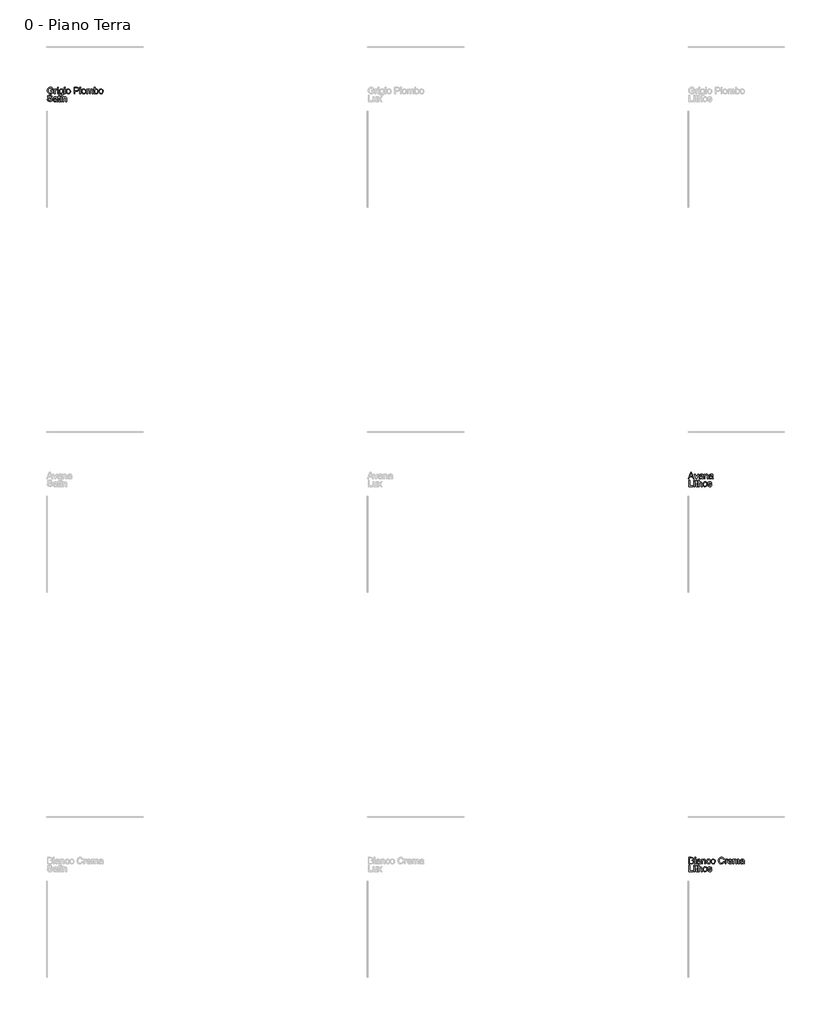
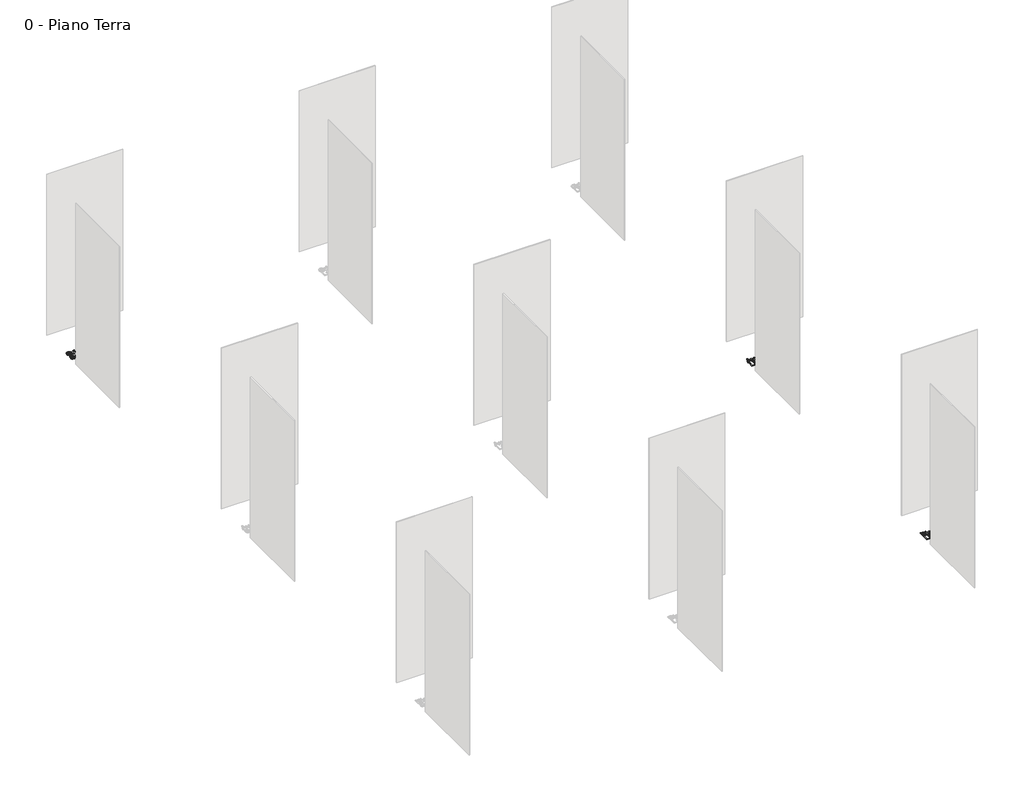
# One storey, part 23 of 35: 3 proxies.
"""IFC4 building model written with IfcOpenShell, lengths in millimetres."""

from ifc_helpers import new_model, si_unit, origin, origin_with_axes, place, context, project, spatial, polyline, outline, extrude, element, save

model = new_model("IFC4")

# Units and contexts
model_context = context("Model", 3, world=origin())
ifc_project = project(units=[si_unit("LENGTHUNIT", "METRE", prefix="MILLI")], contexts=[model_context])

# Site, building, storey
site = spatial("IfcSite", under=ifc_project)
building = spatial("IfcBuilding", under=site)
storey = spatial("IfcBuildingStorey", under=building, Name="0 - Piano Terra", Elevation=0.0)

# Proxies
placement = place(None, origin())
element("IfcBuildingElementProxy", 1, Name="Testo modello 1", ObjectType="Testo modello 1", at=placement, inside=storey, context=model_context, shape_type="SweptSolid", body=[
    extrude(outline(polyline([(2778.8181445, -42234.518489), (2778.8181445, -42221.9614502), (2819.6285205, -42221.9614502), (2819.6285205, -42259.5099392), (2799.4808499, -42271.3557394), (2778.1804823, -42275.328865), (2764.0936676, -42273.7500381), (2751.3618849, -42269.0135574), (2740.7852775, -42261.2849698), (2733.1639889, -42250.7298223), (2728.5562669, -42238.0685503), (2727.0203595, -42224.0215894), (2728.5501355, -42209.873461), (2733.1394634, -42196.7124826), (2740.5982708, -42185.6729571), (2750.7364855, -42177.8891872), (2763.0850578, -42173.2722682), (2777.1749382, -42171.7332952), (2796.8198368, -42175.3017505), (2810.5908861, -42185.2345644), (2818.1815179, -42201.8505678), (2806.6054978, -42205.1124549), (2800.8788014, -42193.4996465), (2791.0931404, -42186.8041942), (2776.9787345, -42184.2903339), (2760.9022913, -42187.000398), (2749.9639333, -42194.1127832), (2743.5014729, -42203.7880797), (2739.5773983, -42223.5065546), (2744.2985506, -42245.3955333), (2758.0328117, -42258.4921324), (2777.1749382, -42262.7718262), (2794.3550274, -42259.5467274), (2807.0714817, -42252.6673341), (2807.0714817, -42234.518489), (2778.8181445, -42234.518489)])), origin_with_axes(), (0.0, 0.0, 1.0), 10.0),
    extrude(outline(polyline([(2838.4640786, -42273.7592352), (2838.4640786, -42199.9866324), (2849.4514875, -42199.9866324), (2849.4514875, -42210.9004649), (2857.2505858, -42200.8450237), (2865.0987351, -42198.4170025), (2877.7048248, -42202.2920262), (2873.51097, -42213.5492153), (2864.6818021, -42210.9740413), (2857.5816796, -42213.4511134), (2853.0567311, -42220.318244), (2851.0211174, -42234.9844729), (2851.0211174, -42273.7592352), (2838.4640786, -42273.7592352)])), origin_with_axes(), (0.0, 0.0, 1.0), 10.0),
    extrude(outline(polyline([(2885.552974, -42185.8599638), (2885.552974, -42173.302925), (2898.1100128, -42173.302925), (2898.1100128, -42185.8599638), (2885.552974, -42185.8599638)])), origin_with_axes(), (0.0, 0.0, 1.0), 10.0),
    extrude(outline(polyline([(2885.552974, -42273.7592352), (2885.552974, -42199.9866324), (2898.1100128, -42199.9866324), (2898.1100128, -42273.7592352), (2885.552974, -42273.7592352)])), origin_with_axes(), (0.0, 0.0, 1.0), 10.0),
    extrude(outline(polyline([(2913.8063112, -42280.0377545), (2926.36335, -42281.6073844), (2930.4345774, -42288.2292603), (2942.6237342, -42291.0251635), (2955.4750785, -42287.8613783), (2961.6064451, -42278.9831595), (2962.4648365, -42264.3414561), (2953.6234058, -42271.4047904), (2942.8444634, -42273.7592352), (2929.8980828, -42271.0185143), (2920.2442461, -42262.7963517), (2914.2385726, -42250.742085), (2912.2366814, -42236.5050518), (2915.8296622, -42217.0440942), (2926.2284599, -42203.2730449), (2942.2313267, -42198.4170025), (2953.4333335, -42201.1638548), (2962.4648365, -42209.4044115), (2962.4648365, -42199.9866324), (2975.0218752, -42199.9866324), (2975.0218752, -42263.6792685), (2971.5883099, -42288.0698448), (2960.7112656, -42299.4128729), (2942.3784795, -42303.5822022), (2930.6951605, -42302.1137399), (2921.4950449, -42297.708353), (2915.5936046, -42290.3537788), (2913.8063112, -42280.0377545)]), holes=[polyline([(2924.7937201, -42235.6466605), (2926.1334237, -42247.1644326), (2930.1525345, -42255.0830925), (2936.1949963, -42259.6724204), (2943.6047528, -42261.2021964), (2950.9593271, -42259.6816175), (2957.0324457, -42255.1198807), (2961.1067388, -42247.3023883), (2962.4648365, -42236.0145424), (2961.0668849, -42225.1283011), (2956.8730301, -42217.2893489), (2950.7110067, -42212.5528682), (2943.4085491, -42210.9740413), (2936.2379159, -42212.5283427), (2930.2261109, -42217.191247), (2926.1518178, -42224.9137032), (2924.7937201, -42235.6466605)])]), origin_with_axes(), (0.0, 0.0, 1.0), 10.0),
    extrude(outline(polyline([(2993.8574334, -42185.8599638), (2993.8574334, -42173.302925), (3006.4144721, -42173.302925), (3006.4144721, -42185.8599638), (2993.8574334, -42185.8599638)])), origin_with_axes(), (0.0, 0.0, 1.0), 10.0),
    extrude(outline(polyline([(2993.8574334, -42273.7592352), (2993.8574334, -42199.9866324), (3006.4144721, -42199.9866324), (3006.4144721, -42273.7592352), (2993.8574334, -42273.7592352)])), origin_with_axes(), (0.0, 0.0, 1.0), 10.0),
    extrude(outline(polyline([(3022.1107706, -42236.8729338), (3024.826966, -42219.0858393), (3032.9755522, -42206.5839828), (3043.0432561, -42200.4587476), (3055.0975228, -42198.4170025), (3068.289158, -42200.9032717), (3078.8259115, -42208.3620791), (3085.732896, -42220.2048137), (3088.0352241, -42235.8428642), (3083.9639967, -42258.185564), (3072.1059337, -42270.8284419), (3055.0975228, -42275.328865), (3041.7464721, -42272.8517929), (3031.2219813, -42265.4205766), (3024.3885733, -42253.3295217), (3022.1107706, -42236.8729338)]), holes=[polyline([(3034.6678094, -42236.8484083), (3036.1209433, -42248.2128963), (3040.4803449, -42256.3093658), (3047.0409071, -42261.1562111), (3055.0975228, -42262.7718262), (3063.1173503, -42261.1470141), (3069.6656498, -42256.2725776), (3074.0250515, -42248.0688092), (3075.4781854, -42236.4560008), (3074.0158544, -42225.4226067), (3069.6288616, -42217.4365017), (3063.0713651, -42212.5896564), (3055.0975228, -42210.9740413), (3047.0409071, -42212.583525), (3040.4803449, -42217.4119762), (3036.1209433, -42225.4900517), (3034.6678094, -42236.8484083)])]), origin_with_axes(), (0.0, 0.0, 1.0), 10.0),
    extrude(outline(polyline([(3142.9722688, -42273.7592352), (3142.9722688, -42173.302925), (3180.2019267, -42173.302925), (3195.2115121, -42174.2594182), (3207.4129316, -42178.956045), (3215.3223945, -42188.6681297), (3218.3145014, -42202.3656026), (3216.2942161, -42214.2052715), (3210.2333602, -42224.0706403), (3198.8995291, -42230.7293044), (3181.060318, -42232.9488592), (3155.5293075, -42232.9488592), (3155.5293075, -42273.7592352), (3142.9722688, -42273.7592352)]), holes=[polyline([(3155.5293075, -42220.3918204), (3181.796082, -42220.3918204), (3200.2882836, -42215.7810327), (3204.3901678, -42210.232146), (3205.7574626, -42202.807061), (3202.5323638, -42192.4082633), (3194.0588151, -42186.7183551), (3181.5017764, -42185.8599638), (3155.5293075, -42185.8599638), (3155.5293075, -42220.3918204)])]), origin_with_axes(), (0.0, 0.0, 1.0), 10.0),
    extrude(outline(polyline([(3234.0107998, -42185.8599638), (3234.0107998, -42173.302925), (3246.5678386, -42173.302925), (3246.5678386, -42185.8599638), (3234.0107998, -42185.8599638)])), origin_with_axes(), (0.0, 0.0, 1.0), 10.0),
    extrude(outline(polyline([(3234.0107998, -42273.7592352), (3234.0107998, -42199.9866324), (3246.5678386, -42199.9866324), (3246.5678386, -42273.7592352), (3234.0107998, -42273.7592352)])), origin_with_axes(), (0.0, 0.0, 1.0), 10.0),
    extrude(outline(polyline([(3262.2641371, -42236.8729338), (3264.9803325, -42219.0858393), (3273.1289186, -42206.5839828), (3283.1966226, -42200.4587476), (3295.2508893, -42198.4170025), (3308.4425245, -42200.9032717), (3318.979278, -42208.3620791), (3325.8862624, -42220.2048137), (3328.1885906, -42235.8428642), (3324.1173632, -42258.185564), (3312.2593002, -42270.8284419), (3295.2508893, -42275.328865), (3281.8998385, -42272.8517929), (3271.3753478, -42265.4205766), (3264.5419397, -42253.3295217), (3262.2641371, -42236.8729338)]), holes=[polyline([(3274.8211758, -42236.8484083), (3276.2743097, -42248.2128963), (3280.6337113, -42256.3093658), (3287.1942736, -42261.1562111), (3295.2508893, -42262.7718262), (3303.2707168, -42261.1470141), (3309.8190163, -42256.2725776), (3314.1784179, -42248.0688092), (3315.6315518, -42236.4560008), (3314.1692209, -42225.4226067), (3309.7822281, -42217.4365017), (3303.2247315, -42212.5896564), (3295.2508893, -42210.9740413), (3287.1942736, -42212.583525), (3280.6337113, -42217.4119762), (3276.2743097, -42225.4900517), (3274.8211758, -42236.8484083)])]), origin_with_axes(), (0.0, 0.0, 1.0), 10.0),
    extrude(outline(polyline([(3342.3152592, -42273.7592352), (3342.3152592, -42199.9866324), (3354.872298, -42199.9866324), (3354.872298, -42212.1267382), (3363.5052621, -42202.1816616), (3375.7925208, -42198.4170025), (3388.374085, -42202.255238), (3395.2902665, -42213.009655), (3405.0881903, -42202.0651657), (3417.4612881, -42198.4170025), (3426.9005269, -42199.9345158), (3433.8810878, -42204.4870555), (3438.1945042, -42212.1972489), (3439.6323097, -42223.1877235), (3439.6323097, -42273.7592352), (3427.0752709, -42273.7592352), (3427.0752709, -42228.5833261), (3425.9103112, -42218.0986893), (3421.691931, -42212.9360786), (3414.5182321, -42210.9740413), (3402.1696598, -42216.0017619), (3398.4816428, -42222.5439301), (3397.2523038, -42232.1149933), (3397.2523038, -42273.7592352), (3384.695265, -42273.7592352), (3384.695265, -42227.1853746), (3381.7889973, -42215.0207433), (3372.2608536, -42210.9740413), (3362.9657019, -42213.6718426), (3356.7852843, -42221.5690428), (3354.872298, -42236.5541027), (3354.872298, -42273.7592352), (3342.3152592, -42273.7592352)])), origin_with_axes(), (0.0, 0.0, 1.0), 10.0),
    extrude(outline(polyline([(3471.0249066, -42273.7592352), (3458.4678678, -42273.7592352), (3458.4678678, -42173.302925), (3471.0249066, -42173.302925), (3471.0249066, -42210.5571084), (3479.8172863, -42201.452029), (3490.7433815, -42198.4170025), (3503.3249458, -42201.151592), (3513.0860814, -42208.8403257), (3519.0825579, -42220.7964906), (3521.2530617, -42235.7692878), (3519.0059158, -42252.532444), (3512.2644782, -42265.0036437), (3502.3715183, -42272.7475597), (3490.6698051, -42275.328865), (3479.5045866, -42271.9995329), (3471.0249066, -42262.0115368), (3471.0249066, -42273.7592352)]), holes=[polyline([(3471.0249066, -42236.357899), (3474.4584719, -42253.9181329), (3481.0374282, -42260.5584029), (3489.5906846, -42262.7718262), (3496.8379599, -42261.1408827), (3503.0306402, -42256.2480522), (3507.2796772, -42248.1239915), (3508.6960229, -42236.7993574), (3507.3379252, -42225.3091764), (3503.2636321, -42217.2770862), (3497.2640899, -42212.5498025), (3490.1302449, -42210.9740413), (3482.8829696, -42212.6049848), (3476.6902893, -42217.4978154), (3472.4412523, -42225.4747233), (3471.0249066, -42236.357899)])]), origin_with_axes(), (0.0, 0.0, 1.0), 10.0),
    extrude(outline(polyline([(3532.2404706, -42236.8729338), (3534.956666, -42219.0858393), (3543.1052522, -42206.5839828), (3553.1729561, -42200.4587476), (3565.2272228, -42198.4170025), (3578.418858, -42200.9032717), (3588.9556115, -42208.3620791), (3595.862596, -42220.2048137), (3598.1649241, -42235.8428642), (3594.0936967, -42258.185564), (3582.2356337, -42270.8284419), (3565.2272228, -42275.328865), (3551.8761721, -42272.8517929), (3541.3516813, -42265.4205766), (3534.5182733, -42253.3295217), (3532.2404706, -42236.8729338)]), holes=[polyline([(3544.7975093, -42236.8484083), (3546.2506432, -42248.2128963), (3550.6100449, -42256.3093658), (3557.1706071, -42261.1562111), (3565.2272228, -42262.7718262), (3573.2470503, -42261.1470141), (3579.7953498, -42256.2725776), (3584.1547515, -42248.0688092), (3585.6078853, -42236.4560008), (3584.1455544, -42225.4226067), (3579.7585616, -42217.4365017), (3573.2010651, -42212.5896564), (3565.2272228, -42210.9740413), (3557.1706071, -42212.583525), (3550.6100449, -42217.4119762), (3546.2506432, -42225.4900517), (3544.7975093, -42236.8484083)])]), origin_with_axes(), (0.0, 0.0, 1.0), 10.0),
    extrude(outline(polyline([(2727.0203595, -42361.2021964), (2739.5773983, -42361.2021964), (2743.6241003, -42373.7714979), (2753.5078632, -42381.717749), (2768.5664995, -42384.7466441), (2781.687624, -42382.453513), (2790.1611726, -42376.1504681), (2792.9448131, -42367.7259704), (2790.8601484, -42359.8900839), (2782.3252861, -42354.187913), (2764.041551, -42349.3931843), (2744.3598642, -42343.2005041), (2733.6790237, -42333.8563014), (2730.1596192, -42321.372839), (2734.5128895, -42307.1603313), (2747.2293438, -42297.1294156), (2765.8441728, -42293.708113), (2785.7098005, -42297.2888311), (2798.9535523, -42307.8102561), (2803.932222, -42323.5310801), (2791.3751832, -42323.5310801), (2789.0697894, -42316.0385501), (2784.262798, -42310.6306848), (2766.3346821, -42306.2651518), (2748.3575153, -42310.5816338), (2742.716658, -42321.004957), (2746.714309, -42329.7114976), (2767.2175989, -42336.725781), (2789.4376714, -42343.0288258), (2801.59004, -42353.2068944), (2805.5018518, -42367.4071394), (2801.0014288, -42382.4289875), (2788.0519825, -42393.391871), (2769.0570089, -42397.3036828), (2746.6284699, -42393.0853026), (2732.4404876, -42380.3811111), (2727.0203595, -42361.2021964)])), origin_with_axes(), (0.0, 0.0, 1.0), 10.0),
    extrude(outline(polyline([(2869.8566755, -42386.3162739), (2857.6797815, -42394.8266107), (2844.2275632, -42397.3036828), (2833.7337293, -42395.8137608), (2825.992879, -42391.3439945), (2821.2196101, -42384.5565717), (2819.6285205, -42376.1136799), (2822.0320162, -42366.1808661), (2828.3473237, -42358.9703789), (2837.1397034, -42354.8501006), (2848.004485, -42352.9616397), (2869.7830991, -42348.6451576), (2869.8566755, -42345.8492545), (2866.3985848, -42336.5786282), (2852.5171708, -42332.9488592), (2839.8129793, -42335.3646176), (2833.7551891, -42343.9362681), (2821.1981503, -42342.3666382), (2826.6305411, -42330.1039051), (2837.5688991, -42322.9179434), (2854.1358516, -42320.3918204), (2869.3539035, -42322.6236378), (2877.9500794, -42328.2277069), (2881.8005776, -42336.7503064), (2882.4137143, -42347.7377154), (2882.4137143, -42363.3604374), (2883.0513764, -42385.1758397), (2885.552974, -42395.734053), (2872.9959352, -42395.734053), (2869.8566755, -42386.3162739)]), holes=[polyline([(2869.8566755, -42361.2021964), (2849.5986403, -42365.0526946), (2838.7951724, -42367.0883083), (2833.9023419, -42370.3992463), (2832.1855592, -42375.2307631), (2835.9256928, -42382.0243173), (2846.900839, -42384.7466441), (2859.6050306, -42381.7422744), (2867.7965364, -42374.4704737), (2869.7830991, -42364.758389), (2869.8566755, -42361.2021964)])]), origin_with_axes(), (0.0, 0.0, 1.0), 10.0),
    extrude(outline(polyline([(2926.36335, -42385.2616789), (2927.9329798, -42396.101935), (2918.5397262, -42397.3036828), (2908.0183012, -42395.2190182), (2902.7698514, -42389.7498392), (2901.2492725, -42375.5005433), (2901.2492725, -42334.518489), (2891.8314934, -42334.518489), (2891.8314934, -42321.9614502), (2901.2492725, -42321.9614502), (2901.2492725, -42304.0333343), (2913.8063112, -42296.651169), (2913.8063112, -42321.9614502), (2926.36335, -42321.9614502), (2926.36335, -42334.518489), (2913.8063112, -42334.518489), (2913.8063112, -42375.1326613), (2914.4684988, -42381.6073844), (2916.6144771, -42383.9005155), (2920.894171, -42384.7466441), (2926.36335, -42385.2616789)])), origin_with_axes(), (0.0, 0.0, 1.0), 10.0),
    extrude(outline(polyline([(2938.9203888, -42395.734053), (2938.9203888, -42321.9614502), (2951.4774275, -42321.9614502), (2951.4774275, -42395.734053), (2938.9203888, -42395.734053)])), origin_with_axes(), (0.0, 0.0, 1.0), 10.0),
    extrude(outline(polyline([(2938.9203888, -42307.8347816), (2938.9203888, -42295.2777428), (2951.4774275, -42295.2777428), (2951.4774275, -42307.8347816), (2938.9203888, -42307.8347816)])), origin_with_axes(), (0.0, 0.0, 1.0), 10.0),
    extrude(outline(polyline([(2970.3129857, -42395.734053), (2970.3129857, -42321.9614502), (2982.8700244, -42321.9614502), (2982.8700244, -42332.2621461), (2992.4717445, -42323.3594018), (3005.5806063, -42320.3918204), (3017.4386693, -42322.7830534), (3025.5320732, -42329.0615727), (3029.2967322, -42338.2954108), (3029.9589198, -42350.4355167), (3029.9589198, -42395.734053), (3017.4018811, -42395.734053), (3017.4018811, -42352.1277738), (3015.9548785, -42341.0177376), (3010.8413188, -42335.1438884), (3002.2206174, -42332.9488592), (2988.5967208, -42337.8784779), (2984.3016985, -42345.02152), (2982.8700244, -42356.5914087), (2982.8700244, -42395.734053), (2970.3129857, -42395.734053)])), origin_with_axes(), (0.0, 0.0, 1.0), 10.0),
])
element("IfcBuildingElementProxy", 2, Name="Testo modello 1", ObjectType="Testo modello 1", at=placement, inside=storey, context=model_context, shape_type="SweptSolid", body=[
    extrude(outline(polyline([(12720.0306016, -48273.7592352), (12760.1297391, -48173.302925), (12770.8228424, -48173.302925), (12810.9219799, -48273.7592352), (12797.6537026, -48273.7592352), (12786.1512589, -48242.3666382), (12744.7767972, -48242.3666382), (12733.2988789, -48273.7592352), (12720.0306016, -48273.7592352)]), holes=[polyline([(12749.3875848, -48229.8095995), (12781.5649967, -48229.8095995), (12772.5150996, -48205.1124549), (12765.4762908, -48185.8599638), (12759.2222968, -48202.9542138), (12749.3875848, -48229.8095995)])]), origin_with_axes(), (0.0, 0.0, 1.0), 10.0),
    extrude(outline(polyline([(12840.8675743, -48273.7592352), (12814.9196309, -48199.9866324), (12828.2124337, -48199.9866324), (12843.9332576, -48244.1815227), (12848.6666726, -48259.0439553), (12853.3019857, -48245.0153886), (12869.1209115, -48199.9866324), (12882.4137143, -48199.9866324), (12856.784602, -48273.7592352), (12840.8675743, -48273.7592352)])), origin_with_axes(), (0.0, 0.0, 1.0), 10.0),
    extrude(outline(polyline([(12940.4900186, -48264.3414561), (12928.3131246, -48272.8517929), (12914.8609063, -48275.328865), (12904.3670724, -48273.8389429), (12896.626222, -48269.3691767), (12891.8529532, -48262.5817539), (12890.2618635, -48254.1388621), (12892.6653592, -48244.2060482), (12898.9806668, -48236.9955611), (12907.7730465, -48232.8752828), (12918.6378281, -48230.9868218), (12940.4164422, -48226.6703398), (12940.4900186, -48223.8744366), (12937.0319279, -48214.6038103), (12923.1505139, -48210.9740413), (12910.4463223, -48213.3897997), (12904.3885321, -48221.9614502), (12891.8314934, -48220.3918204), (12897.2638842, -48208.1290872), (12908.2022422, -48200.9431256), (12924.7691947, -48198.4170025), (12939.9872465, -48200.64882), (12948.5834225, -48206.252889), (12952.4339207, -48214.7754886), (12953.0470574, -48225.7628975), (12953.0470574, -48241.3856196), (12953.6847195, -48263.2010219), (12956.1863171, -48273.7592352), (12943.6292783, -48273.7592352), (12940.4900186, -48264.3414561)]), holes=[polyline([(12940.4900186, -48239.2273785), (12920.2319834, -48243.0778768), (12909.4285155, -48245.1134905), (12904.5356849, -48248.4244284), (12902.8189023, -48253.2559453), (12906.5590359, -48260.0494995), (12917.5341821, -48262.7718262), (12930.2383737, -48259.7674566), (12938.4298794, -48252.4956558), (12940.4164422, -48242.7835712), (12940.4900186, -48239.2273785)])]), origin_with_axes(), (0.0, 0.0, 1.0), 10.0),
    extrude(outline(polyline([(12970.3129857, -48273.7592352), (12970.3129857, -48199.9866324), (12982.8700244, -48199.9866324), (12982.8700244, -48210.2873283), (12992.4717445, -48201.384584), (13005.5806063, -48198.4170025), (13017.4386693, -48200.8082355), (13025.5320732, -48207.0867549), (13029.2967322, -48216.320593), (13029.9589198, -48228.4606988), (13029.9589198, -48273.7592352), (13017.4018811, -48273.7592352), (13017.4018811, -48230.152956), (13015.9548785, -48219.0429197), (13010.8413188, -48213.1690705), (13002.2206174, -48210.9740413), (12988.5967208, -48215.90366), (12984.3016985, -48223.0467021), (12982.8700244, -48234.6165909), (12982.8700244, -48273.7592352), (12970.3129857, -48273.7592352)])), origin_with_axes(), (0.0, 0.0, 1.0), 10.0),
    extrude(outline(polyline([(13094.3137435, -48264.3414561), (13082.1368495, -48272.8517929), (13068.6846312, -48275.328865), (13058.1907973, -48273.8389429), (13050.449947, -48269.3691767), (13045.6766781, -48262.5817539), (13044.0855884, -48254.1388621), (13046.4890841, -48244.2060482), (13052.8043917, -48236.9955611), (13061.5967714, -48232.8752828), (13072.461553, -48230.9868218), (13094.2401671, -48226.6703398), (13094.3137435, -48223.8744366), (13090.8556528, -48214.6038103), (13076.9742388, -48210.9740413), (13064.2700472, -48213.3897997), (13058.2122571, -48221.9614502), (13045.6552183, -48220.3918204), (13051.0876091, -48208.1290872), (13062.0259671, -48200.9431256), (13078.5929196, -48198.4170025), (13093.8109715, -48200.64882), (13102.4071474, -48206.252889), (13106.2576456, -48214.7754886), (13106.8707823, -48225.7628975), (13106.8707823, -48241.3856196), (13107.5084444, -48263.2010219), (13110.010042, -48273.7592352), (13097.4530032, -48273.7592352), (13094.3137435, -48264.3414561)]), holes=[polyline([(13094.3137435, -48239.2273785), (13074.0557083, -48243.0778768), (13063.2522404, -48245.1134905), (13058.3594099, -48248.4244284), (13056.6426272, -48253.2559453), (13060.3827608, -48260.0494995), (13071.357907, -48262.7718262), (13084.0620986, -48259.7674566), (13092.2536043, -48252.4956558), (13094.2401671, -48242.7835712), (13094.3137435, -48239.2273785)])]), origin_with_axes(), (0.0, 0.0, 1.0), 10.0),
    extrude(outline(polyline([(12731.7292491, -48395.734053), (12731.7292491, -48295.2777428), (12744.2862878, -48295.2777428), (12744.2862878, -48383.1770142), (12794.5144429, -48383.1770142), (12794.5144429, -48395.734053), (12731.7292491, -48395.734053)])), origin_with_axes(), (0.0, 0.0, 1.0), 10.0),
    extrude(outline(polyline([(12807.0714817, -48307.8347816), (12807.0714817, -48295.2777428), (12819.6285205, -48295.2777428), (12819.6285205, -48307.8347816), (12807.0714817, -48307.8347816)])), origin_with_axes(), (0.0, 0.0, 1.0), 10.0),
    extrude(outline(polyline([(12807.0714817, -48395.734053), (12807.0714817, -48321.9614502), (12819.6285205, -48321.9614502), (12819.6285205, -48395.734053), (12807.0714817, -48395.734053)])), origin_with_axes(), (0.0, 0.0, 1.0), 10.0),
    extrude(outline(polyline([(12865.147786, -48385.2616789), (12866.7174158, -48396.101935), (12857.3241622, -48397.3036828), (12846.8027372, -48395.2190182), (12841.5542874, -48389.7498392), (12840.0337085, -48375.5005433), (12840.0337085, -48334.518489), (12830.6159294, -48334.518489), (12830.6159294, -48321.9614502), (12840.0337085, -48321.9614502), (12840.0337085, -48304.0333343), (12852.5907472, -48296.651169), (12852.5907472, -48321.9614502), (12865.147786, -48321.9614502), (12865.147786, -48334.518489), (12852.5907472, -48334.518489), (12852.5907472, -48375.1326613), (12853.2529348, -48381.6073844), (12855.3989131, -48383.9005155), (12859.678607, -48384.7466441), (12865.147786, -48385.2616789)])), origin_with_axes(), (0.0, 0.0, 1.0), 10.0),
    extrude(outline(polyline([(12877.7048248, -48395.734053), (12877.7048248, -48295.2777428), (12890.2618635, -48295.2777428), (12890.2618635, -48332.2130952), (12900.053656, -48323.3471391), (12912.114054, -48320.3918204), (12926.2161972, -48323.6169192), (12934.7755849, -48332.5319262), (12937.3507589, -48349.0375651), (12937.3507589, -48395.734053), (12924.7937201, -48395.734053), (12924.7937201, -48350.3374148), (12920.7960691, -48337.093663), (12909.4653037, -48332.9488592), (12899.1768705, -48335.7447623), (12892.30974, -48343.3231314), (12890.2618635, -48356.5423578), (12890.2618635, -48395.734053), (12877.7048248, -48395.734053)])), origin_with_axes(), (0.0, 0.0, 1.0), 10.0),
    extrude(outline(polyline([(12951.4774275, -48358.8477516), (12954.1936229, -48341.0606571), (12962.3422091, -48328.5588007), (12972.4099131, -48322.4335655), (12984.4641798, -48320.3918204), (12997.655815, -48322.8780895), (13008.1925685, -48330.336897), (13015.0995529, -48342.1796315), (13017.4018811, -48357.817682), (13013.3306537, -48380.1603819), (13001.4725907, -48392.8032598), (12984.4641798, -48397.3036828), (12971.113129, -48394.8266107), (12960.5886383, -48387.3953944), (12953.7552302, -48375.3043395), (12951.4774275, -48358.8477516)]), holes=[polyline([(12964.0344663, -48358.8232261), (12965.4876002, -48370.1877141), (12969.8470018, -48378.2841837), (12976.4075641, -48383.131029), (12984.4641798, -48384.7466441), (12992.4840073, -48383.1218319), (12999.0323068, -48378.2473955), (13003.3917084, -48370.043627), (13004.8448423, -48358.4308187), (13003.3825114, -48347.3974245), (12998.9955186, -48339.4113195), (12992.438022, -48334.5644742), (12984.4641798, -48332.9488592), (12976.4075641, -48334.5583429), (12969.8470018, -48339.3867941), (12965.4876002, -48347.4648695), (12964.0344663, -48358.8232261)])]), origin_with_axes(), (0.0, 0.0, 1.0), 10.0),
    extrude(outline(polyline([(13026.8196601, -48373.7592352), (13039.3766989, -48372.1896053), (13045.1892344, -48381.5092825), (13058.5065627, -48384.7466441), (13071.3088561, -48381.7790626), (13075.4781854, -48374.8138302), (13071.2843306, -48369.1729729), (13058.3594099, -48365.5922549), (13039.4502753, -48359.4486255), (13031.1974559, -48352.2749266), (13028.38929, -48342.145909), (13030.6456329, -48332.7894436), (13036.8015249, -48325.6402702), (13044.7845642, -48321.924662), (13055.5880322, -48320.3918204), (13070.8673977, -48322.8566298), (13080.5794824, -48329.5275566), (13084.8959644, -48340.7970084), (13072.3389257, -48342.3666382), (13067.6177734, -48335.438194), (13056.5690508, -48332.9488592), (13044.5515723, -48335.3278294), (13040.9463288, -48340.8705848), (13042.4423822, -48344.5248793), (13047.1267463, -48347.296257), (13057.9424769, -48349.9695328), (13076.3733649, -48355.8801702), (13084.9327526, -48362.5756225), (13088.0352241, -48373.489455), (13084.3931924, -48385.5069335), (13073.8840301, -48394.2257368), (13058.3348844, -48397.3036828), (13045.6736124, -48395.8198921), (13036.4336429, -48391.36852), (13030.2654882, -48383.9986174), (13026.8196601, -48373.7592352)])), origin_with_axes(), (0.0, 0.0, 1.0), 10.0),
])
element("IfcBuildingElementProxy", 3, Name="Testo modello 1", ObjectType="Testo modello 1", at=placement, inside=storey, context=model_context, shape_type="SweptSolid", body=[
    extrude(outline(polyline([(12731.7292491, -54273.7592352), (12731.7292491, -54173.302925), (12770.062553, -54173.302925), (12788.8367975, -54176.2582437), (12799.9223082, -54185.344929), (12803.932222, -54198.1962733), (12800.5599704, -54209.931709), (12790.3696391, -54218.8221905), (12802.7427369, -54228.1909187), (12807.0714817, -54243.8136407), (12804.116163, -54257.31491), (12796.7953113, -54266.9288928), (12785.869216, -54272.0301898), (12769.7682474, -54273.7592352), (12731.7292491, -54273.7592352)]), holes=[polyline([(12744.2862878, -54214.113301), (12767.2175989, -54214.113301), (12780.6085035, -54213.0341805), (12788.6651192, -54208.3866046), (12791.3751832, -54200.2073616), (12788.8490602, -54192.0158558), (12781.6140476, -54187.1720762), (12765.4762908, -54185.8599638), (12744.2862878, -54185.8599638), (12744.2862878, -54214.113301)]), polyline([(12744.2862878, -54261.2021964), (12770.0380275, -54261.2021964), (12779.3577047, -54260.7116871), (12787.2426421, -54257.9770976), (12792.4665665, -54252.397554), (12794.5144429, -54243.9362681), (12792.1109472, -54234.1751325), (12784.3241117, -54228.3503342), (12768.8117542, -54226.6703398), (12744.2862878, -54226.6703398), (12744.2862878, -54261.2021964)])]), origin_with_axes(), (0.0, 0.0, 1.0), 10.0),
    extrude(outline(polyline([(12822.7677801, -54185.8599638), (12822.7677801, -54173.302925), (12835.3248189, -54173.302925), (12835.3248189, -54185.8599638), (12822.7677801, -54185.8599638)])), origin_with_axes(), (0.0, 0.0, 1.0), 10.0),
    extrude(outline(polyline([(12822.7677801, -54273.7592352), (12822.7677801, -54199.9866324), (12835.3248189, -54199.9866324), (12835.3248189, -54273.7592352), (12822.7677801, -54273.7592352)])), origin_with_axes(), (0.0, 0.0, 1.0), 10.0),
    extrude(outline(polyline([(12901.2492725, -54264.3414561), (12889.0723784, -54272.8517929), (12875.6201601, -54275.328865), (12865.1263262, -54273.8389429), (12857.3854759, -54269.3691767), (12852.612207, -54262.5817539), (12851.0211174, -54254.1388621), (12853.4246131, -54244.2060482), (12859.7399207, -54236.9955611), (12868.5323003, -54232.8752828), (12879.3970819, -54230.9868218), (12901.1756961, -54226.6703398), (12901.2492725, -54223.8744366), (12897.7911817, -54214.6038103), (12883.9097677, -54210.9740413), (12871.2055762, -54213.3897997), (12865.147786, -54221.9614502), (12852.5907472, -54220.3918204), (12858.023138, -54208.1290872), (12868.961496, -54200.9431256), (12885.5284485, -54198.4170025), (12900.7465004, -54200.64882), (12909.3426763, -54206.252889), (12913.1931746, -54214.7754886), (12913.8063112, -54225.7628975), (12913.8063112, -54241.3856196), (12914.4439733, -54263.2010219), (12916.9455709, -54273.7592352), (12904.3885321, -54273.7592352), (12901.2492725, -54264.3414561)]), holes=[polyline([(12901.2492725, -54239.2273785), (12880.9912373, -54243.0778768), (12870.1877693, -54245.1134905), (12865.2949388, -54248.4244284), (12863.5781561, -54253.2559453), (12867.3182898, -54260.0494995), (12878.293436, -54262.7718262), (12890.9976275, -54259.7674566), (12899.1891333, -54252.4956558), (12901.1756961, -54242.7835712), (12901.2492725, -54239.2273785)])]), origin_with_axes(), (0.0, 0.0, 1.0), 10.0),
    extrude(outline(polyline([(12931.0722395, -54273.7592352), (12931.0722395, -54199.9866324), (12943.6292783, -54199.9866324), (12943.6292783, -54210.2873283), (12953.2309984, -54201.384584), (12966.3398601, -54198.4170025), (12978.1979231, -54200.8082355), (12986.291327, -54207.0867549), (12990.0559861, -54216.320593), (12990.7181737, -54228.4606988), (12990.7181737, -54273.7592352), (12978.1611349, -54273.7592352), (12978.1611349, -54230.152956), (12976.7141324, -54219.0429197), (12971.6005727, -54213.1690705), (12962.9798712, -54210.9740413), (12949.3559747, -54215.90366), (12945.0609524, -54223.0467021), (12943.6292783, -54234.6165909), (12943.6292783, -54273.7592352), (12931.0722395, -54273.7592352)])), origin_with_axes(), (0.0, 0.0, 1.0), 10.0),
    extrude(outline(polyline([(13055.0729974, -54247.0755278), (13067.6300361, -54248.6451576), (13064.1290258, -54259.8134419), (13057.5500695, -54268.253268), (13048.5124351, -54273.5599657), (13037.6353908, -54275.328865), (13024.2782087, -54272.8609899), (13013.8334257, -54265.4573648), (13007.0919881, -54253.442952), (13004.8448423, -54237.1427139), (13008.6830778, -54216.2838048), (13020.3817252, -54202.8806374), (13037.4637125, -54198.4170025), (13048.0740424, -54199.9498442), (13056.5567881, -54204.5483691), (13062.6421694, -54211.9673227), (13066.0604063, -54221.9614502), (13053.5033675, -54223.5310801), (13047.6785693, -54214.1255637), (13037.5618144, -54210.9740413), (13029.4469507, -54212.5252771), (13023.0059501, -54217.1789843), (13018.8028983, -54225.1865491), (13017.4018811, -54236.7993574), (13018.7722415, -54248.5685155), (13022.8833228, -54256.6036714), (13029.2078274, -54261.2297875), (13037.2184579, -54262.7718262), (13049.0519954, -54258.921328), (13055.0729974, -54247.0755278)])), origin_with_axes(), (0.0, 0.0, 1.0), 10.0),
    extrude(outline(polyline([(13075.4781854, -54236.8729338), (13078.1943808, -54219.0858393), (13086.342967, -54206.5839828), (13096.4106709, -54200.4587476), (13108.4649376, -54198.4170025), (13121.6565728, -54200.9032717), (13132.1933263, -54208.3620791), (13139.1003108, -54220.2048137), (13141.4026389, -54235.8428642), (13137.3314115, -54258.185564), (13125.4733485, -54270.8284419), (13108.4649376, -54275.328865), (13095.1138869, -54272.8517929), (13084.5893961, -54265.4205766), (13077.7559881, -54253.3295217), (13075.4781854, -54236.8729338)]), holes=[polyline([(13088.0352241, -54236.8484083), (13089.488358, -54248.2128963), (13093.8477597, -54256.3093658), (13100.4083219, -54261.1562111), (13108.4649376, -54262.7718262), (13116.4847651, -54261.1470141), (13123.0330646, -54256.2725776), (13127.3924663, -54248.0688092), (13128.8456001, -54236.4560008), (13127.3832692, -54225.4226067), (13122.9962764, -54217.4365017), (13116.4387798, -54212.5896564), (13108.4649376, -54210.9740413), (13100.4083219, -54212.583525), (13093.8477597, -54217.4119762), (13089.488358, -54225.4900517), (13088.0352241, -54236.8484083)])]), origin_with_axes(), (0.0, 0.0, 1.0), 10.0),
    extrude(outline(polyline([(13266.9730266, -54238.0501562), (13279.5300654, -54241.2875177), (13273.7359239, -54255.9200241), (13264.6431073, -54266.6100617), (13252.6992052, -54273.1491642), (13238.3518074, -54275.328865), (13223.786746, -54273.6795274), (13212.219923, -54268.7315146), (13203.3539669, -54260.6565048), (13196.8915065, -54249.6261763), (13191.630794, -54222.7707906), (13193.1176504, -54208.1229558), (13197.5782196, -54195.4739466), (13204.7795096, -54185.2253673), (13214.4885286, -54177.7788226), (13226.0032351, -54173.244677), (13238.6215875, -54171.7332952), (13252.3895712, -54173.6892011), (13263.7724532, -54179.5569189), (13272.4146144, -54188.974698), (13277.9604355, -54201.5807877), (13265.4033967, -54204.5728946), (13255.1027009, -54189.1341135), (13238.1310782, -54184.2903339), (13218.4861796, -54189.6614111), (13207.3884061, -54204.0823853), (13204.1878327, -54222.7462652), (13207.9770173, -54244.3777265), (13219.7737666, -54258.1978268), (13237.1010086, -54262.7718262), (13247.5825798, -54261.2144591), (13256.3167115, -54256.5423578), (13262.9109962, -54248.8045731), (13266.9730266, -54238.0501562)])), origin_with_axes(), (0.0, 0.0, 1.0), 10.0),
    extrude(outline(polyline([(13295.2263638, -54273.7592352), (13295.2263638, -54199.9866324), (13306.2137727, -54199.9866324), (13306.2137727, -54210.9004649), (13314.012871, -54200.8450237), (13321.8610203, -54198.4170025), (13334.46711, -54202.2920262), (13330.2732552, -54213.5492153), (13321.4440873, -54210.9740413), (13314.3439648, -54213.4511134), (13309.8190163, -54220.318244), (13307.7834026, -54234.9844729), (13307.7834026, -54273.7592352), (13295.2263638, -54273.7592352)])), origin_with_axes(), (0.0, 0.0, 1.0), 10.0),
    extrude(outline(polyline([(13393.9658913, -54251.7844173), (13406.2776754, -54253.3540472), (13401.8416317, -54262.6308048), (13394.762969, -54269.5653804), (13385.2011028, -54273.8879938), (13373.3154487, -54275.328865), (13358.5817748, -54272.8425958), (13347.2448779, -54265.3837884), (13340.0159967, -54253.4368206), (13337.6063697, -54237.4860704), (13340.0405222, -54220.9988257), (13347.3429798, -54208.6686475), (13358.5265925, -54200.9799138), (13372.6042101, -54198.4170025), (13386.2434351, -54200.9737824), (13397.1419392, -54208.644122), (13404.288047, -54220.9497747), (13406.6700829, -54237.412494), (13406.5965065, -54240.7970084), (13350.1634084, -54240.7970084), (13352.3369779, -54250.1963934), (13357.3861583, -54257.1064435), (13364.6732875, -54261.3554805), (13373.5607033, -54262.7718262), (13385.8724874, -54260.1476013), (13393.9658913, -54251.7844173)]), holes=[polyline([(13350.1634084, -54228.2399696), (13394.1130441, -54228.2399696), (13389.0853235, -54216.8601532), (13381.7644718, -54212.4455693), (13372.5551592, -54210.9740413), (13357.0918527, -54215.6706681), (13352.2266133, -54221.1613069), (13350.1634084, -54228.2399696)])]), origin_with_axes(), (0.0, 0.0, 1.0), 10.0),
    extrude(outline(polyline([(13419.2271217, -54273.7592352), (13419.2271217, -54199.9866324), (13431.7841604, -54199.9866324), (13431.7841604, -54212.1267382), (13440.4171246, -54202.1816616), (13452.7043832, -54198.4170025), (13465.2859475, -54202.255238), (13472.202129, -54213.009655), (13482.0000528, -54202.0651657), (13494.3731505, -54198.4170025), (13503.8123894, -54199.9345158), (13510.7929503, -54204.4870555), (13515.1063667, -54212.1972489), (13516.5441721, -54223.1877235), (13516.5441721, -54273.7592352), (13503.9871334, -54273.7592352), (13503.9871334, -54228.5833261), (13502.8221737, -54218.0986893), (13498.6037935, -54212.9360786), (13491.4300946, -54210.9740413), (13479.0815223, -54216.0017619), (13475.3935053, -54222.5439301), (13474.1641663, -54232.1149933), (13474.1641663, -54273.7592352), (13461.6071275, -54273.7592352), (13461.6071275, -54227.1853746), (13458.7008597, -54215.0207433), (13449.1727161, -54210.9740413), (13439.8775643, -54213.6718426), (13433.6971468, -54221.5690428), (13431.7841604, -54236.5541027), (13431.7841604, -54273.7592352), (13419.2271217, -54273.7592352)])), origin_with_axes(), (0.0, 0.0, 1.0), 10.0),
    extrude(outline(polyline([(13582.4686257, -54264.3414561), (13570.2917316, -54272.8517929), (13556.8395133, -54275.328865), (13546.3456794, -54273.8389429), (13538.6048291, -54269.3691767), (13533.8315602, -54262.5817539), (13532.2404706, -54254.1388621), (13534.6439663, -54244.2060482), (13540.9592739, -54236.9955611), (13549.7516536, -54232.8752828), (13560.6164351, -54230.9868218), (13582.3950493, -54226.6703398), (13582.4686257, -54223.8744366), (13579.0105349, -54214.6038103), (13565.1291209, -54210.9740413), (13552.4249294, -54213.3897997), (13546.3671392, -54221.9614502), (13533.8101004, -54220.3918204), (13539.2424912, -54208.1290872), (13550.1808492, -54200.9431256), (13566.7478017, -54198.4170025), (13581.9658536, -54200.64882), (13590.5620295, -54206.252889), (13594.4125278, -54214.7754886), (13595.0256644, -54225.7628975), (13595.0256644, -54241.3856196), (13595.6633265, -54263.2010219), (13598.1649241, -54273.7592352), (13585.6078853, -54273.7592352), (13582.4686257, -54264.3414561)]), holes=[polyline([(13582.4686257, -54239.2273785), (13562.2105905, -54243.0778768), (13551.4071225, -54245.1134905), (13546.514292, -54248.4244284), (13544.7975093, -54253.2559453), (13548.537643, -54260.0494995), (13559.5127892, -54262.7718262), (13572.2169807, -54259.7674566), (13580.4084865, -54252.4956558), (13582.3950493, -54242.7835712), (13582.4686257, -54239.2273785)])]), origin_with_axes(), (0.0, 0.0, 1.0), 10.0),
    extrude(outline(polyline([(12731.7292491, -54395.734053), (12731.7292491, -54295.2777428), (12744.2862878, -54295.2777428), (12744.2862878, -54383.1770142), (12794.5144429, -54383.1770142), (12794.5144429, -54395.734053), (12731.7292491, -54395.734053)])), origin_with_axes(), (0.0, 0.0, 1.0), 10.0),
    extrude(outline(polyline([(12807.0714817, -54307.8347816), (12807.0714817, -54295.2777428), (12819.6285205, -54295.2777428), (12819.6285205, -54307.8347816), (12807.0714817, -54307.8347816)])), origin_with_axes(), (0.0, 0.0, 1.0), 10.0),
    extrude(outline(polyline([(12807.0714817, -54395.734053), (12807.0714817, -54321.9614502), (12819.6285205, -54321.9614502), (12819.6285205, -54395.734053), (12807.0714817, -54395.734053)])), origin_with_axes(), (0.0, 0.0, 1.0), 10.0),
    extrude(outline(polyline([(12865.147786, -54385.2616789), (12866.7174158, -54396.101935), (12857.3241622, -54397.3036828), (12846.8027372, -54395.2190182), (12841.5542874, -54389.7498392), (12840.0337085, -54375.5005433), (12840.0337085, -54334.518489), (12830.6159294, -54334.518489), (12830.6159294, -54321.9614502), (12840.0337085, -54321.9614502), (12840.0337085, -54304.0333343), (12852.5907472, -54296.651169), (12852.5907472, -54321.9614502), (12865.147786, -54321.9614502), (12865.147786, -54334.518489), (12852.5907472, -54334.518489), (12852.5907472, -54375.1326613), (12853.2529348, -54381.6073844), (12855.3989131, -54383.9005155), (12859.678607, -54384.7466441), (12865.147786, -54385.2616789)])), origin_with_axes(), (0.0, 0.0, 1.0), 10.0),
    extrude(outline(polyline([(12877.7048248, -54395.734053), (12877.7048248, -54295.2777428), (12890.2618635, -54295.2777428), (12890.2618635, -54332.2130952), (12900.053656, -54323.3471391), (12912.114054, -54320.3918204), (12926.2161972, -54323.6169192), (12934.7755849, -54332.5319262), (12937.3507589, -54349.0375651), (12937.3507589, -54395.734053), (12924.7937201, -54395.734053), (12924.7937201, -54350.3374148), (12920.7960691, -54337.093663), (12909.4653037, -54332.9488592), (12899.1768705, -54335.7447623), (12892.30974, -54343.3231314), (12890.2618635, -54356.5423578), (12890.2618635, -54395.734053), (12877.7048248, -54395.734053)])), origin_with_axes(), (0.0, 0.0, 1.0), 10.0),
    extrude(outline(polyline([(12951.4774275, -54358.8477516), (12954.1936229, -54341.0606571), (12962.3422091, -54328.5588007), (12972.4099131, -54322.4335655), (12984.4641798, -54320.3918204), (12997.655815, -54322.8780895), (13008.1925685, -54330.336897), (13015.0995529, -54342.1796315), (13017.4018811, -54357.817682), (13013.3306537, -54380.1603819), (13001.4725907, -54392.8032598), (12984.4641798, -54397.3036828), (12971.113129, -54394.8266107), (12960.5886383, -54387.3953944), (12953.7552302, -54375.3043395), (12951.4774275, -54358.8477516)]), holes=[polyline([(12964.0344663, -54358.8232261), (12965.4876002, -54370.1877141), (12969.8470018, -54378.2841837), (12976.4075641, -54383.131029), (12984.4641798, -54384.7466441), (12992.4840073, -54383.1218319), (12999.0323068, -54378.2473955), (13003.3917084, -54370.043627), (13004.8448423, -54358.4308187), (13003.3825114, -54347.3974245), (12998.9955186, -54339.4113195), (12992.438022, -54334.5644742), (12984.4641798, -54332.9488592), (12976.4075641, -54334.5583429), (12969.8470018, -54339.3867941), (12965.4876002, -54347.4648695), (12964.0344663, -54358.8232261)])]), origin_with_axes(), (0.0, 0.0, 1.0), 10.0),
    extrude(outline(polyline([(13026.8196601, -54373.7592352), (13039.3766989, -54372.1896053), (13045.1892344, -54381.5092825), (13058.5065627, -54384.7466441), (13071.3088561, -54381.7790626), (13075.4781854, -54374.8138302), (13071.2843306, -54369.1729729), (13058.3594099, -54365.5922549), (13039.4502753, -54359.4486255), (13031.1974559, -54352.2749266), (13028.38929, -54342.145909), (13030.6456329, -54332.7894436), (13036.8015249, -54325.6402702), (13044.7845642, -54321.924662), (13055.5880322, -54320.3918204), (13070.8673977, -54322.8566298), (13080.5794824, -54329.5275566), (13084.8959644, -54340.7970084), (13072.3389257, -54342.3666382), (13067.6177734, -54335.438194), (13056.5690508, -54332.9488592), (13044.5515723, -54335.3278294), (13040.9463288, -54340.8705848), (13042.4423822, -54344.5248793), (13047.1267463, -54347.296257), (13057.9424769, -54349.9695328), (13076.3733649, -54355.8801702), (13084.9327526, -54362.5756225), (13088.0352241, -54373.489455), (13084.3931924, -54385.5069335), (13073.8840301, -54394.2257368), (13058.3348844, -54397.3036828), (13045.6736124, -54395.8198921), (13036.4336429, -54391.36852), (13030.2654882, -54383.9986174), (13026.8196601, -54373.7592352)])), origin_with_axes(), (0.0, 0.0, 1.0), 10.0),
])

save(model, "model.ifc")
